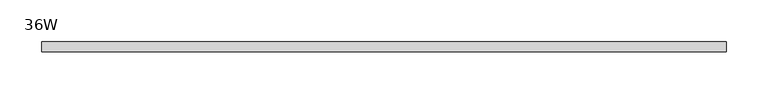
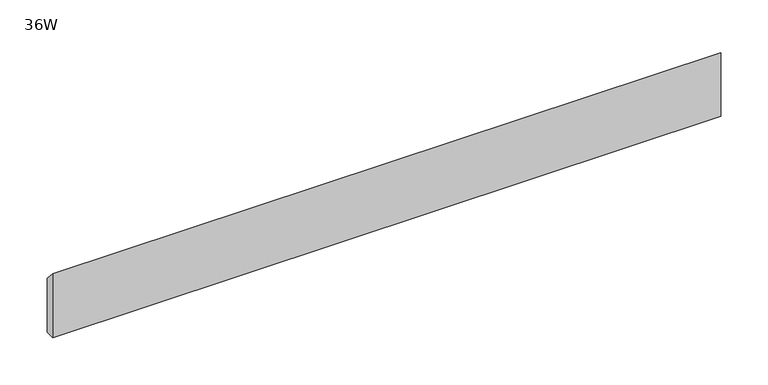
"""IFC4 building model written with IfcOpenShell, lengths in millimetres: furniture geometry, 36W."""

from ifc_helpers import new_model, si_unit, frame, origin, place, context, project, spatial, polyline, outline, extrude, source, transform, mapped, element, save


def furniture_36w_94c75be2(model_context):
    return source(origin(), model_context, "Body", "SweptSolid", [
        extrude(outline(polyline([(-11.938, 677.7482), (-11.938, 760.2982), (0.0, 747.5982), (0.0, 677.7482), (-11.938, 677.7482)])), frame((48.006, 0.0, 0.0), z_axis=(1.0, 0.0, 0.0), x_axis=(0.0, 1.0, 0.0)), (0.0, 0.0, 1.0), 818.388),
    ])


if __name__ == "__main__":
    model = new_model("IFC4")
    model_context = context("Model", 3, world=origin())
    ifc_project = project(units=[si_unit("LENGTHUNIT", "METRE", prefix="MILLI")], contexts=[model_context])
    site = spatial("IfcSite", under=ifc_project)
    building = spatial("IfcBuilding", under=site)
    placement = place(None, origin())
    furniture_36w_shape = furniture_36w_94c75be2(model_context)
    element("IfcFurniture", 1, ObjectType="36W", at=placement, inside=building, context=model_context, shape_type="MappedRepresentation", body=[
        mapped(furniture_36w_shape, transform((0.0, 0.0, 0.0), x_axis=(1.0, 0.0, 0.0), y_axis=(0.0, 1.0, 0.0), z_axis=(0.0, 0.0, 1.0))),
    ])
    save(model, "model.ifc")
